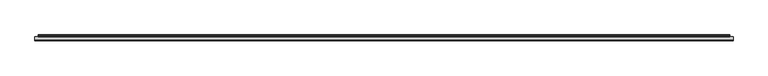
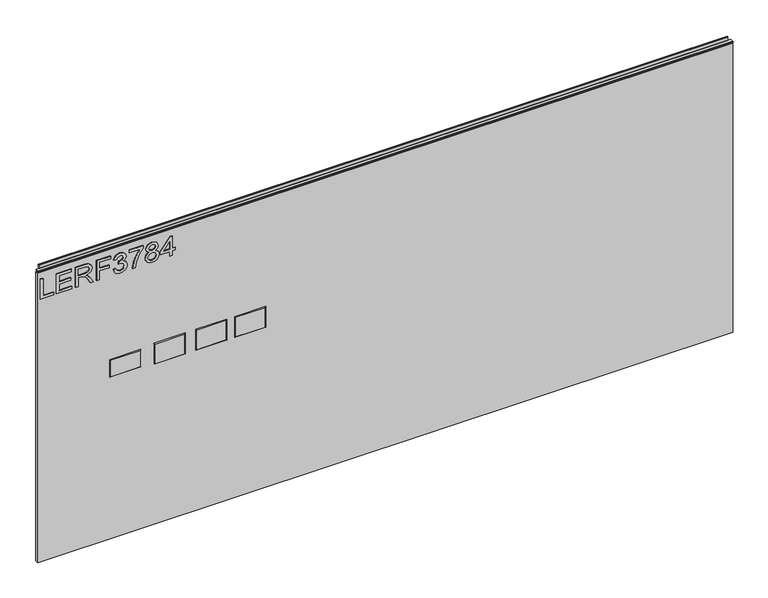
"""IFC4 building model written with IfcOpenShell, lengths in millimetres: furniture geometry."""

from ifc_helpers import new_model, si_unit, frame, origin, place, context, project, spatial, polyline, outline, extrude, faceted_brep, source, transform, mapped, element, save


def furniture_25c05732(model_context):
    return source(origin(), model_context, "Body", "SolidModel", [
        extrude(outline(polyline([(949.9276297, -291.2189953), (949.9276297, -251.3503972), (957.9013493, -251.3503972), (957.9013493, -283.2452757), (1013.7173866, -283.2452757), (1013.7173866, -291.2189953), (949.9276297, -291.2189953)])), frame((0.0, -5.5279467, 0.0), z_axis=(0.0, 1.0, 0.0), x_axis=(0.0, 0.0, 1.0)), (0.0, 0.0, 1.0), 2.38125),
        extrude(outline(polyline([(949.9276297, -242.3799627), (949.9276297, -195.5343599), (957.9013493, -195.5343599), (957.9013493, -234.4062431), (978.8323633, -234.4062431), (978.8323633, -198.5245048), (986.8060829, -198.5245048), (986.8060829, -234.4062431), (1005.743667, -234.4062431), (1005.743667, -196.5310749), (1013.7173866, -196.5310749), (1013.7173866, -242.3799627), (949.9276297, -242.3799627)])), frame((0.0, -5.5279467, 0.0), z_axis=(0.0, 1.0, 0.0), x_axis=(0.0, 0.0, 1.0)), (0.0, 0.0, 1.0), 2.38125),
        extrude(outline(polyline([(949.9276297, -183.5737805), (949.9276297, -175.6000609), (977.8356483, -175.6000609), (977.8356483, -165.9755321), (977.5553223, -161.3501518), (976.0368893, -157.5579629), (971.9020796, -153.3452848), (963.1496765, -147.3494214), (949.9276297, -139.0486547), (949.9276297, -129.7823204), (967.2144046, -140.4191378), (975.4217293, -146.8822113), (978.8323633, -151.4141496), (984.765932, -138.0597266), (996.2593013, -133.7380329), (1005.9071906, -136.3466228), (1011.996496, -143.3236275), (1013.7173866, -156.0862509), (1013.7173866, -183.5737805), (949.9276297, -183.5737805)]), holes=[polyline([(985.809368, -175.6000609), (1005.743667, -175.6000609), (1005.743667, -155.7436302), (1002.9871272, -145.0834523), (995.9634015, -141.7117525), (990.5515508, -143.4793642), (986.9384591, -148.649823), (985.809368, -157.7526338), (985.809368, -175.6000609)])]), frame((0.0, -5.5279467, 0.0), z_axis=(0.0, 1.0, 0.0), x_axis=(0.0, 0.0, 1.0)), (0.0, 0.0, 1.0), 2.38125),
        extrude(outline(polyline([(949.9276297, -119.7840235), (949.9276297, -111.8103039), (978.8323633, -111.8103039), (978.8323633, -81.9088554), (986.8060829, -81.9088554), (986.8060829, -111.8103039), (1005.743667, -111.8103039), (1005.743667, -76.9252806), (1013.7173866, -76.9252806), (1013.7173866, -119.7840235), (949.9276297, -119.7840235)])), frame((0.0, -5.5279467, 0.0), z_axis=(0.0, 1.0, 0.0), x_axis=(0.0, 0.0, 1.0)), (0.0, 0.0, 1.0), 2.38125),
        extrude(outline(polyline([(966.8717839, -68.951561), (953.9300632, -62.6130768), (948.9309147, -48.6279202), (950.3948398, -40.1052286), (954.7866151, -33.1944121), (961.2808359, -28.6157528), (969.0520978, -27.089533), (979.4241628, -30.1419725), (984.8749477, -38.832081), (990.1544222, -32.2911391), (997.505195, -30.0796778), (1005.5489961, -32.4079417), (1011.5292858, -39.1357676), (1013.7173866, -48.7525095), (1009.2788904, -61.4294778), (996.7732324, -67.954846), (995.7765175, -59.9811264), (1003.2518796, -56.072135), (1005.743667, -48.4721834), (1003.2752401, -40.965674), (997.0379848, -38.0533975), (989.9986855, -42.0714046), (987.8027979, -52.3967486), (979.8290782, -53.2844478), (980.7012038, -47.6934999), (977.4385197, -38.6296233), (969.1922609, -35.0632526), (960.4398577, -38.6607706), (956.9046343, -48.3475941), (959.4742901, -56.5782793), (967.8684988, -60.9778414), (966.8717839, -68.951561)])), frame((0.0, -5.5279467, 0.0), z_axis=(0.0, 1.0, 0.0), x_axis=(0.0, 0.0, 1.0)), (0.0, 0.0, 1.0), 2.38125),
        extrude(outline(polyline([(1004.7469521, -20.1125283), (1004.7469521, 13.7757801), (988.2466475, 1.7217586), (967.9152198, -6.9761367), (949.9276297, -10.1453788), (949.9276297, -2.1716592), (967.2611256, 0.7873383), (989.1187731, 9.8745754), (1006.2731718, 21.7494997), (1012.7206717, 21.7494997), (1012.7206717, -20.1125283), (1004.7469521, -20.1125283)])), frame((0.0, -5.5279467, 0.0), z_axis=(0.0, 1.0, 0.0), x_axis=(0.0, 0.0, 1.0)), (0.0, 0.0, 1.0), 2.38125),
        extrude(outline(polyline([(985.0618317, 40.344463), (979.2684261, 31.7477965), (968.7094771, 28.7265043), (960.9518421, 30.1670689), (954.5919442, 34.4887627), (950.3461721, 41.1620807), (948.9309147, 49.6575183), (950.340332, 58.1529559), (954.5685837, 64.826274), (968.4914457, 70.5885323), (978.8090028, 67.6840427), (985.0618317, 59.2041787), (989.9908987, 66.2668386), (997.505195, 68.5951024), (1008.9985643, 63.3623489), (1013.7173866, 49.5485026), (1009.10758, 35.8592457), (997.7232264, 30.7199342), (990.0142592, 33.0793454), (985.0618317, 40.344463)]), holes=[polyline([(997.4896213, 38.6936539), (1003.3141743, 41.5669962), (1005.743667, 49.6575183), (1003.2596665, 57.72468), (997.1314269, 60.6213828), (991.2134318, 57.818122), (988.7995128, 49.7509604), (991.2290055, 41.5202752), (997.4896213, 38.6936539)]), polyline([(968.9898031, 36.700224), (977.4463066, 40.0719238), (980.8257932, 49.4550606), (977.3995856, 59.1107367), (968.7406244, 62.6148127), (960.2451868, 59.2197524), (956.9046343, 49.719813), (958.4931488, 42.7428084), (962.9861529, 38.0317728), (968.9898031, 36.700224)])]), frame((0.0, -5.5279467, 0.0), z_axis=(0.0, 1.0, 0.0), x_axis=(0.0, 0.0, 1.0)), (0.0, 0.0, 1.0), 2.38125),
        extrude(outline(polyline([(949.9276297, 103.4801258), (949.9276297, 111.4538454), (964.878354, 111.4538454), (964.878354, 119.427565), (972.8520736, 119.427565), (972.8520736, 111.4538454), (1012.7206717, 111.4538454), (1012.7206717, 105.4735557), (972.8520736, 74.5753921), (964.878354, 74.5753921), (964.878354, 103.4801258), (949.9276297, 103.4801258)]), holes=[polyline([(972.8520736, 103.4801258), (972.8520736, 84.386805), (997.4896213, 103.4801258), (972.8520736, 103.4801258)])]), frame((0.0, -5.5279467, 0.0), z_axis=(0.0, 1.0, 0.0), x_axis=(0.0, 0.0, 1.0)), (0.0, 0.0, 1.0), 2.38125),
        faceted_brep([(395.1398625, -5.2069939, 682.5742), (304.4618625, -5.2069939, 682.5742), (304.4618625, -5.2069939, 619.5822), (395.1398625, -5.2069939, 619.5822), (397.4258625, -3.1749939, 684.8602), (397.4258625, -3.1749939, 617.2962), (302.1758625, -3.1749939, 617.2962), (302.1758625, -3.1749939, 684.8602)], [[[0, 1, 2, 3]], [[4, 5, 6, 7]], [[4, 7, 1, 0]], [[7, 6, 2, 1]], [[6, 5, 3, 2]], [[5, 4, 0, 3]]]),
        faceted_brep([(276.3821625, -5.2069939, 682.5742), (185.7041625, -5.2069939, 682.5742), (185.7041625, -5.2069939, 619.5822), (276.3821625, -5.2069939, 619.5822), (278.6681625, -3.1749939, 684.8602), (278.6681625, -3.1749939, 617.2962), (183.4181625, -3.1749939, 617.2962), (183.4181625, -3.1749939, 684.8602)], [[[0, 1, 2, 3]], [[4, 5, 6, 7]], [[4, 7, 1, 0]], [[7, 6, 2, 1]], [[6, 5, 3, 2]], [[5, 4, 0, 3]]]),
        faceted_brep([(149.3821625, -5.2069939, 682.5742), (58.7041625, -5.2069939, 682.5742), (58.7041625, -5.2069939, 619.5822), (149.3821625, -5.2069939, 619.5822), (151.6681625, -3.1749939, 684.8602), (151.6681625, -3.1749939, 617.2962), (56.4181625, -3.1749939, 617.2962), (56.4181625, -3.1749939, 684.8602)], [[[0, 1, 2, 3]], [[4, 5, 6, 7]], [[4, 7, 1, 0]], [[7, 6, 2, 1]], [[6, 5, 3, 2]], [[5, 4, 0, 3]]]),
        faceted_brep([(13.1365625, -5.2069939, 677.1132), (-76.5254375, -5.2069939, 677.1132), (-76.5254375, -5.2069939, 625.0432), (13.1365625, -5.2069939, 625.0432), (15.4225625, -3.1749939, 679.3992), (15.4225625, -3.1749939, 622.7572), (-78.8114375, -3.1749939, 622.7572), (-78.8114375, -3.1749939, 679.3992)], [[[0, 1, 2, 3]], [[4, 5, 6, 7]], [[4, 7, 1, 0]], [[7, 6, 2, 1]], [[6, 5, 3, 2]], [[5, 4, 0, 3]]]),
        extrude(outline(polyline([(-298.196, 6.3500061), (1821.688, 6.3500061), (1821.688, -3.1749939), (-298.196, -3.1749939), (-298.196, 6.3500061)])), frame((0.0, 0.0, 101.6), z_axis=(0.0, 0.0, 1.0), x_axis=(1.0, 0.0, 0.0)), (0.0, 0.0, 1.0), 932.3578),
        extrude(outline(polyline([(5.5562561, 1041.4), (6.3500061, 1041.4), (6.3500061, 1051.27425), (7.1437561, 1052.068), (8.6677569, 1052.068), (10.0084363, 1051.6506926), (10.875413, 1050.5461816), (10.9623604, 1049.1447591), (10.2390011, 1046.1863459), (10.4046103, 1044.9833307), (11.6746103, 1042.7836103), (10.7786383, 1042.2663244), (7.1437561, 1042.2663244), (7.1437561, 1041.4), (6.3500061, 1041.1669239), (6.3500061, 1033.9578), (5.5562561, 1033.9578), (5.5562561, 1041.4)])), frame((-288.671, 0.0, 0.0), z_axis=(1.0, 0.0, 0.0), x_axis=(0.0, 1.0, 0.0)), (0.0, 0.0, 1.0), 2100.834),
        extrude(outline(polyline([(5.5562561, 1041.4), (5.5562561, 1038.2249996), (-3.975094, 1038.2249996), (-5.3492339, 1039.0183657), (-5.3492339, 1040.6066395), (-3.9751037, 1041.4), (5.5562561, 1041.4)])), frame((-298.196, 0.0, 0.0), z_axis=(1.0, 0.0, 0.0), x_axis=(0.0, 1.0, 0.0)), (0.0, 0.0, 1.0), 2119.884),
    ])


if __name__ == "__main__":
    model = new_model("IFC4")
    model_context = context("Model", 3, world=origin())
    ifc_project = project(units=[si_unit("LENGTHUNIT", "METRE", prefix="MILLI")], contexts=[model_context])
    site = spatial("IfcSite", under=ifc_project)
    building = spatial("IfcBuilding", under=site)
    placement = place(None, origin())
    furniture_shape = furniture_25c05732(model_context)
    element("IfcFurniture", 1, at=placement, inside=building, context=model_context, shape_type="MappedRepresentation", body=[
        mapped(furniture_shape, transform((0.0, 0.0, 0.0), x_axis=(1.0, 0.0, 0.0), y_axis=(0.0, 1.0, 0.0), z_axis=(0.0, 0.0, 1.0))),
    ])
    save(model, "model.ifc")
